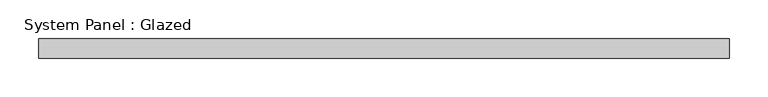
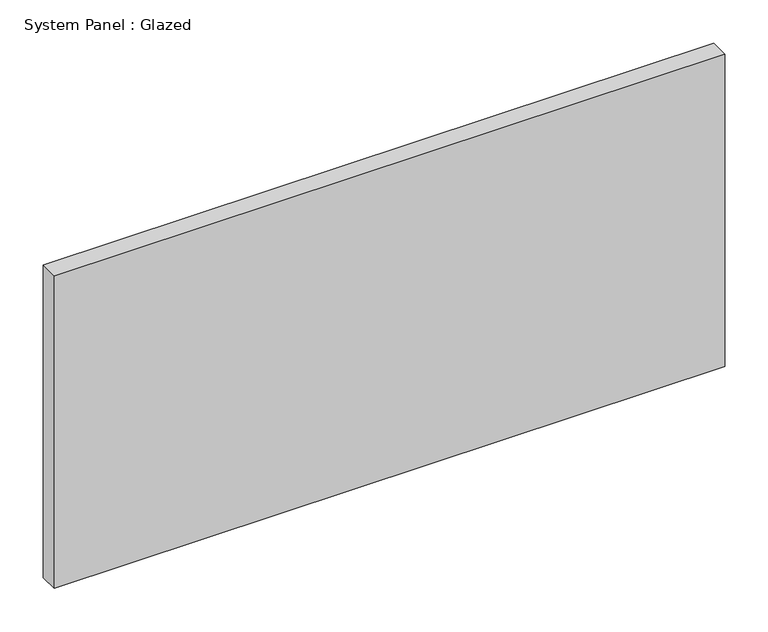
"""IFC4 building model written with IfcOpenShell, lengths in millimetres: plate geometry, System Panel : Glazed."""

from ifc_helpers import new_model, si_unit, origin, origin_with_axes, place, context, project, spatial, polyline, outline, extrude, source, transform, mapped, element, save


def system_panel_glazed_27ec47f9(model_context):
    return source(origin(), model_context, "Body", "SweptSolid", [
        extrude(outline(polyline([(445.303131, -49.5), (-445.303131, -49.5), (-445.303131, -24.5), (445.303131, -24.5), (445.303131, -49.5)])), origin_with_axes(), (0.0, 0.0, 1.0), 439.3649013),
    ])


if __name__ == "__main__":
    model = new_model("IFC4")
    model_context = context("Model", 3, world=origin())
    ifc_project = project(units=[si_unit("LENGTHUNIT", "METRE", prefix="MILLI")], contexts=[model_context])
    site = spatial("IfcSite", under=ifc_project)
    building = spatial("IfcBuilding", under=site)
    placement = place(None, origin())
    system_panel_glazed_shape = system_panel_glazed_27ec47f9(model_context)
    element("IfcPlate", 1, ObjectType="System Panel : Glazed", at=placement, inside=building, context=model_context, shape_type="MappedRepresentation", body=[
        mapped(system_panel_glazed_shape, transform((0.0, 0.0, 0.0), x_axis=(1.0, 0.0, 0.0), y_axis=(0.0, 1.0, 0.0), z_axis=(0.0, 0.0, 1.0))),
    ])
    save(model, "model.ifc")
